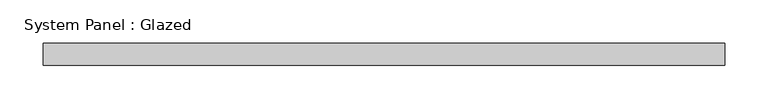
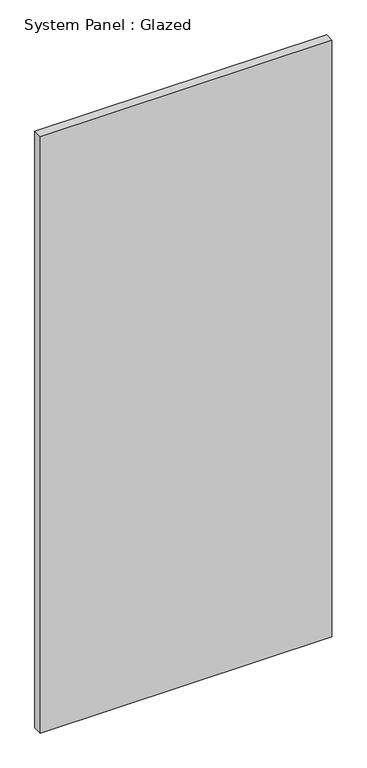
"""IFC4 building model written with IfcOpenShell, lengths in millimetres: plate geometry, System Panel : Glazed."""

from ifc_helpers import new_model, si_unit, origin, origin_with_axes, place, context, project, spatial, polyline, outline, extrude, source, transform, mapped, element, save


def system_panel_glazed_f7a1e1c9(model_context):
    return source(origin(), model_context, "Body", "SweptSolid", [
        extrude(outline(polyline([(393.7, 19.05), (-393.7, 19.05), (-393.7, 44.45), (393.7, 44.45), (393.7, 19.05)])), origin_with_axes(), (0.0, 0.0, 1.0), 1701.8),
    ])


if __name__ == "__main__":
    model = new_model("IFC4")
    model_context = context("Model", 3, world=origin())
    ifc_project = project(units=[si_unit("LENGTHUNIT", "METRE", prefix="MILLI")], contexts=[model_context])
    site = spatial("IfcSite", under=ifc_project)
    building = spatial("IfcBuilding", under=site)
    placement = place(None, origin())
    system_panel_glazed_shape = system_panel_glazed_f7a1e1c9(model_context)
    element("IfcPlate", 1, ObjectType="System Panel : Glazed", at=placement, inside=building, context=model_context, shape_type="MappedRepresentation", body=[
        mapped(system_panel_glazed_shape, transform((0.0, 0.0, 0.0), x_axis=(1.0, 0.0, 0.0), y_axis=(0.0, 1.0, 0.0), z_axis=(0.0, 0.0, 1.0))),
    ])
    save(model, "model.ifc")
